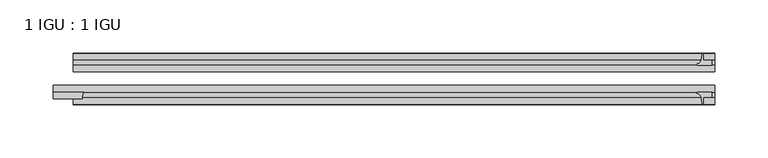
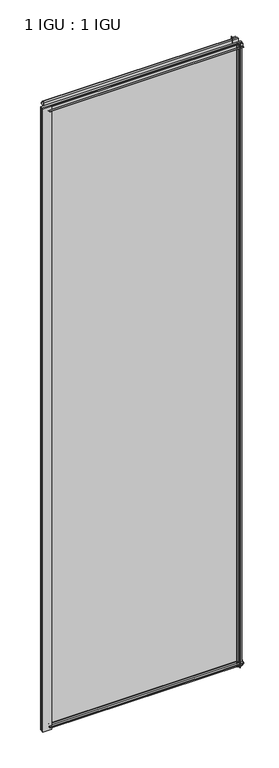
"""IFC4 building model written with IfcOpenShell, lengths in millimetres: plate geometry, 1 IGU : 1 IGU."""

from ifc_helpers import new_model, si_unit, point, frame, frame_2d, origin, place, context, project, spatial, polyline, circle_curve, trimmed, segment, composite_curve, outline, extrude, source, transform, mapped, element, save


def plate_1_igu_1_igu_60254717(model_context):
    return source(origin(), model_context, "Body", "SweptSolid", [
        extrude(outline(composite_curve([segment(polyline([(-42.3267187, -8.2068385), (-47.0892187, -8.2068385), (-47.0892187, 0.0), (-53.563779, 0.0)]), True, "CONTINUOUS"), segment(trimmed(circle_curve(frame_2d((-53.0328134, 0.3482823)), 0.635), [point((-53.563779, 0.0))], [point((-53.0575397, 0.9828007))], False, "CARTESIAN"), True, "CONTINUOUS"), segment(trimmed(circle_curve(frame_2d((-54.2310045, 31.0958559)), 30.1359106), [point((-53.0575397, 0.9828007))], [point((-47.0834032, 1.8198434))], True, "CARTESIAN"), True, "CONTINUOUS"), segment(trimmed(circle_curve(frame_2d((-48.2159797, 6.4587878)), 4.7752), [point((-47.0834032, 1.8198434))], [point((-43.578416, 5.3205707))], True, "CARTESIAN"), True, "CONTINUOUS"), segment(trimmed(circle_curve(frame_2d((-42.9617187, 5.169212)), 0.635), [point((-43.578416, 5.3205707))], [point((-42.3267187, 5.169212))], False, "CARTESIAN"), True, "CONTINUOUS"), segment(polyline([(-42.3267187, 5.169212), (-42.3267187, -8.2068385)]), True, "CONTINUOUS")], self_intersect=False)), frame((-300.7320313, 0.0, 0.0), z_axis=(1.0, 0.0, 0.0), x_axis=(0.0, 1.0, 0.0)), (0.0, 0.0, 1.0), 603.9445312),
        extrude(outline(composite_curve([segment(polyline([(-16.9267187, -8.2068385), (-16.9267187, 5.169212)]), True, "CONTINUOUS"), segment(trimmed(circle_curve(frame_2d((-16.2917187, 5.169212)), 0.635), [point((-16.9267187, 5.169212))], [point((-15.6750215, 5.3205707))], False, "CARTESIAN"), True, "CONTINUOUS"), segment(trimmed(circle_curve(frame_2d((-11.0374578, 6.4587878)), 4.7752), [point((-15.6750215, 5.3205707))], [point((-12.1700343, 1.8198434))], True, "CARTESIAN"), True, "CONTINUOUS"), segment(trimmed(circle_curve(frame_2d((-5.022433, 31.0958559)), 30.1359106), [point((-12.1700343, 1.8198434))], [point((-6.1958978, 0.9828007))], True, "CARTESIAN"), True, "CONTINUOUS"), segment(trimmed(circle_curve(frame_2d((-6.2206241, 0.3482823)), 0.635), [point((-6.1958978, 0.9828007))], [point((-5.6896585, 0.0))], False, "CARTESIAN"), True, "CONTINUOUS"), segment(polyline([(-5.6896585, 0.0), (-12.1642187, 0.0), (-12.1642187, -8.2068385), (-16.9267187, -8.2068385)]), True, "CONTINUOUS")], self_intersect=False)), frame((-300.7320313, 0.0, 0.0), z_axis=(1.0, 0.0, 0.0), x_axis=(0.0, 1.0, 0.0)), (0.0, 0.0, 1.0), 603.9445312),
        extrude(outline(composite_curve([segment(polyline([(-47.0892188, 2022.475), (-47.0892188, 2030.6818385), (-42.3267188, 2030.6818385), (-42.3267188, 2017.305788)]), True, "CONTINUOUS"), segment(trimmed(circle_curve(frame_2d((-42.9617187, 2017.305788)), 0.635), [point((-42.3267188, 2017.305788))], [point((-43.578416, 2017.1544293))], False, "CARTESIAN"), True, "CONTINUOUS"), segment(trimmed(circle_curve(frame_2d((-48.2159797, 2016.0162122)), 4.7752), [point((-43.578416, 2017.1544293))], [point((-47.0834032, 2020.6551566))], True, "CARTESIAN"), True, "CONTINUOUS"), segment(trimmed(circle_curve(frame_2d((-54.2310045, 1991.3791441)), 30.1359106), [point((-47.0834032, 2020.6551566))], [point((-53.0575397, 2021.4921993))], True, "CARTESIAN"), True, "CONTINUOUS"), segment(trimmed(circle_curve(frame_2d((-53.0328134, 2022.1267177)), 0.635), [point((-53.0575397, 2021.4921993))], [point((-53.563779, 2022.475))], False, "CARTESIAN"), True, "CONTINUOUS"), segment(polyline([(-53.563779, 2022.475), (-47.0892188, 2022.475)]), True, "CONTINUOUS")], self_intersect=False)), frame((-300.7320313, 0.0, 0.0), z_axis=(1.0, 0.0, 0.0), x_axis=(0.0, 1.0, 0.0)), (0.0, 0.0, 1.0), 603.9445312),
        extrude(outline(composite_curve([segment(polyline([(-12.1642187, 2022.475), (-5.6896585, 2022.475)]), True, "CONTINUOUS"), segment(trimmed(circle_curve(frame_2d((-6.2206241, 2022.1267177)), 0.635), [point((-5.6896585, 2022.475))], [point((-6.1958978, 2021.4921993))], False, "CARTESIAN"), True, "CONTINUOUS"), segment(trimmed(circle_curve(frame_2d((-5.022433, 1991.3791441)), 30.1359106), [point((-6.1958978, 2021.4921993))], [point((-12.1700343, 2020.6551566))], True, "CARTESIAN"), True, "CONTINUOUS"), segment(trimmed(circle_curve(frame_2d((-11.0374578, 2016.0162122)), 4.7752), [point((-12.1700343, 2020.6551566))], [point((-15.6750215, 2017.1544293))], True, "CARTESIAN"), True, "CONTINUOUS"), segment(trimmed(circle_curve(frame_2d((-16.2917188, 2017.305788)), 0.635), [point((-15.6750215, 2017.1544293))], [point((-16.9267188, 2017.305788))], False, "CARTESIAN"), True, "CONTINUOUS"), segment(polyline([(-16.9267188, 2017.305788), (-16.9267187, 2030.6818385), (-12.1642187, 2030.6818385), (-12.1642187, 2022.475)]), True, "CONTINUOUS")], self_intersect=False)), frame((-300.7320313, 0.0, 0.0), z_axis=(1.0, 0.0, 0.0), x_axis=(0.0, 1.0, 0.0)), (0.0, 0.0, 1.0), 603.9445312),
        extrude(outline(composite_curve([segment(trimmed(circle_curve(frame_2d((-280.635255, -48.2428298)), 11.7661971), [point((-290.8059493, -42.3267187))], [point((-292.3934493, -48.6767187))], True, "CARTESIAN"), True, "CONTINUOUS"), segment(polyline([(-292.3934493, -48.6767187), (-319.7820312, -48.6767187), (-319.7820312, -42.3267187), (-290.8059493, -42.3267187)]), True, "CONTINUOUS")], self_intersect=False)), frame((0.0, 0.0, -11.1125), z_axis=(0.0, 0.0, 1.0), x_axis=(1.0, 0.0, 0.0)), (0.0, 0.0, 1.0), 2044.7),
        extrude(outline(composite_curve([segment(polyline([(292.1, -5.6896585), (292.1, -12.1642188), (300.3068385, -12.1642188), (300.3068385, -16.9267187), (286.930788, -16.9267187)]), True, "CONTINUOUS"), segment(trimmed(circle_curve(frame_2d((286.930788, -16.2917188)), 0.635), [point((286.930788, -16.9267187))], [point((286.7794293, -15.6750215))], False, "CARTESIAN"), True, "CONTINUOUS"), segment(trimmed(circle_curve(frame_2d((285.6412122, -11.0374578)), 4.7752), [point((286.7794293, -15.6750215))], [point((290.2801566, -12.1700343))], True, "CARTESIAN"), True, "CONTINUOUS"), segment(trimmed(circle_curve(frame_2d((261.0041441, -5.022433)), 30.1359106), [point((290.2801566, -12.1700343))], [point((291.1171993, -6.1958978))], True, "CARTESIAN"), True, "CONTINUOUS"), segment(trimmed(circle_curve(frame_2d((291.7517177, -6.2206241)), 0.635), [point((291.1171993, -6.1958978))], [point((292.1, -5.6896585))], False, "CARTESIAN"), True, "CONTINUOUS")], self_intersect=False)), frame((0.0, 0.0, -11.1125), z_axis=(0.0, 0.0, 1.0), x_axis=(1.0, 0.0, 0.0)), (0.0, 0.0, 1.0), 2044.7),
        extrude(outline(composite_curve([segment(trimmed(circle_curve(frame_2d((291.7517177, -53.0328134)), 0.635), [point((292.1, -53.563779))], [point((291.1171993, -53.0575397))], False, "CARTESIAN"), True, "CONTINUOUS"), segment(trimmed(circle_curve(frame_2d((261.0041441, -54.2310045)), 30.1359106), [point((291.1171993, -53.0575397))], [point((290.2801566, -47.0834032))], True, "CARTESIAN"), True, "CONTINUOUS"), segment(trimmed(circle_curve(frame_2d((285.6412122, -48.2159797)), 4.7752), [point((290.2801566, -47.0834032))], [point((286.7794293, -43.578416))], True, "CARTESIAN"), True, "CONTINUOUS"), segment(trimmed(circle_curve(frame_2d((286.930788, -42.9617187)), 0.635), [point((286.7794293, -43.578416))], [point((286.930788, -42.3267187))], False, "CARTESIAN"), True, "CONTINUOUS"), segment(polyline([(286.930788, -42.3267187), (300.3068385, -42.3267188), (300.3068385, -47.0892188), (292.1, -47.0892188), (292.1, -53.563779)]), True, "CONTINUOUS")], self_intersect=False)), frame((0.0, 0.0, -11.1125), z_axis=(0.0, 0.0, 1.0), x_axis=(1.0, 0.0, 0.0)), (0.0, 0.0, 1.0), 2044.7),
        extrude(outline(polyline([(303.2125, -16.9267187), (303.2125, -23.2259187), (-300.7320313, -23.2259187), (-300.7320313, -16.9267187), (303.2125, -16.9267187)])), frame((0.0, 0.0, -11.1125), z_axis=(0.0, 0.0, 1.0), x_axis=(1.0, 0.0, 0.0)), (0.0, 0.0, 1.0), 2044.7),
        extrude(outline(polyline([(303.2125, -36.0275187), (303.2125, -42.3267187), (-319.7820313, -42.3267187), (-319.7820313, -36.0275187), (303.2125, -36.0275187)])), frame((0.0, 0.0, -11.1125), z_axis=(0.0, 0.0, 1.0), x_axis=(1.0, 0.0, 0.0)), (0.0, 0.0, 1.0), 2044.7),
    ])


if __name__ == "__main__":
    model = new_model("IFC4")
    model_context = context("Model", 3, world=origin())
    ifc_project = project(units=[si_unit("LENGTHUNIT", "METRE", prefix="MILLI")], contexts=[model_context])
    site = spatial("IfcSite", under=ifc_project)
    building = spatial("IfcBuilding", under=site)
    placement = place(None, origin())
    plate_1_igu_1_igu_shape = plate_1_igu_1_igu_60254717(model_context)
    element("IfcPlate", 1, ObjectType="1 IGU : 1 IGU", at=placement, inside=building, context=model_context, shape_type="MappedRepresentation", body=[
        mapped(plate_1_igu_1_igu_shape, transform((0.0, 0.0, 0.0), x_axis=(1.0, 0.0, 0.0), y_axis=(0.0, 1.0, 0.0), z_axis=(0.0, 0.0, 1.0))),
    ])
    save(model, "model.ifc")
